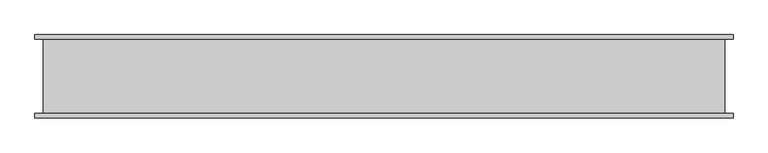
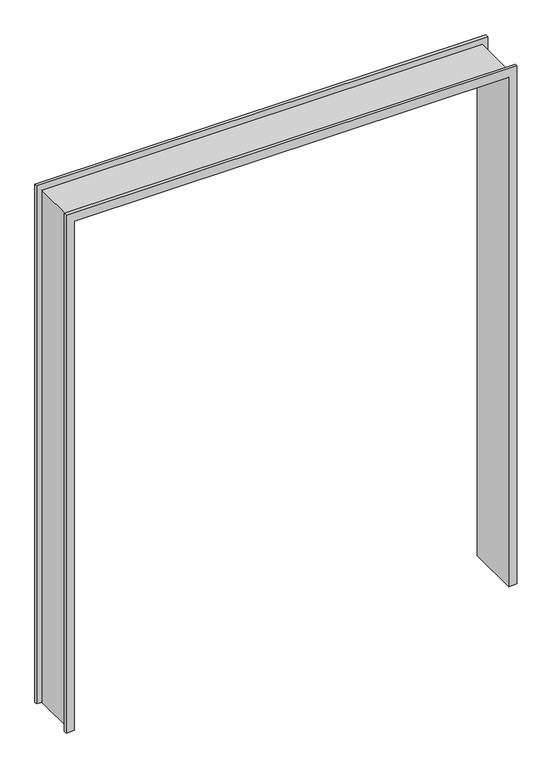
"""IFC4 building model written with IfcOpenShell, lengths in millimetres: proxy geometry."""

from ifc_helpers import new_model, si_unit, origin, place, context, project, spatial, faceted_brep, source, transform, mapped, element, save


def specialty_equipment_be4aa30a(model_context):
    return source(origin(), model_context, "Body", "Brep", [
        faceted_brep([(1046.7442422, -7.7140625, 0.0), (1046.7442422, 292.2859375, 0.0), (1093.4173422, 292.2859375, 0.0), (1093.4173422, 275.7859375, 0.0), (1063.7442422, 275.7859375, 0.0), (1063.7442422, 8.7859375, 0.0), (1093.4173422, 8.7859375, 0.0), (1093.4173422, -7.7140625, 0.0), (1063.7442422, 8.7859375, 3012.8984), (-1386.9030564, 8.7859375, 3012.8984), (-1386.9030564, 8.7859375, 0.0), (-1416.5761564, 8.7859375, 0.0), (-1416.5761564, 8.7859375, 3047.9944), (1093.4173422, 8.7859375, 3047.9944), (-1369.9030564, -7.7140625, 0.0), (-1369.9030564, -7.7140625, 2995.8984), (1046.7442422, -7.7140625, 2995.8984), (1093.4173422, -7.7140625, 3047.9944), (-1416.5761564, -7.7140625, 3047.9944), (-1416.5761564, -7.7140625, 0.0), (1046.7442422, 292.2859375, 2995.8984), (-1369.9030564, 292.2859375, 2995.8984), (-1369.9030564, 292.2859375, 0.0), (-1416.5761564, 292.2859375, 0.0), (-1416.5761564, 292.2859375, 3047.9944), (1093.4173422, 292.2859375, 3047.9944), (-1386.9030564, 275.7859375, 0.0), (-1386.9030564, 275.7859375, 3012.8984), (1063.7442422, 275.7859375, 3012.8984), (1093.4173422, 275.7859375, 3047.9944), (-1416.5761564, 275.7859375, 3047.9944), (-1416.5761564, 275.7859375, 0.0)], [[[0, 1, 2, 3, 4, 5, 6, 7]], [[5, 8, 9, 10, 11, 12, 13, 6]], [[14, 15, 16, 0, 7, 17, 18, 19]], [[1, 0, 16, 20]], [[1, 20, 21, 22, 23, 24, 25, 2]], [[26, 27, 28, 4, 3, 29, 30, 31]], [[5, 4, 28, 8]], [[18, 17, 13, 12]], [[16, 15, 21, 20]], [[30, 29, 25, 24]], [[9, 8, 28, 27]], [[10, 26, 31, 23, 22, 14, 19, 11]], [[15, 14, 22, 21]], [[10, 9, 27, 26]], [[12, 11, 19, 18]], [[24, 23, 31, 30]], [[3, 2, 25, 29]], [[7, 6, 13, 17]]]),
    ])


if __name__ == "__main__":
    model = new_model("IFC4")
    model_context = context("Model", 3, world=origin())
    ifc_project = project(units=[si_unit("LENGTHUNIT", "METRE", prefix="MILLI")], contexts=[model_context])
    site = spatial("IfcSite", under=ifc_project)
    building = spatial("IfcBuilding", under=site)
    placement = place(None, origin())
    specialty_equipment_shape = specialty_equipment_be4aa30a(model_context)
    element("IfcBuildingElementProxy", 1, Name="Specialty Equipment", at=placement, inside=building, context=model_context, shape_type="MappedRepresentation", body=[
        mapped(specialty_equipment_shape, transform((0.0, 0.0, 0.0), x_axis=(1.0, 0.0, 0.0), y_axis=(0.0, 1.0, 0.0), z_axis=(0.0, 0.0, 1.0))),
    ])
    save(model, "model.ifc")
